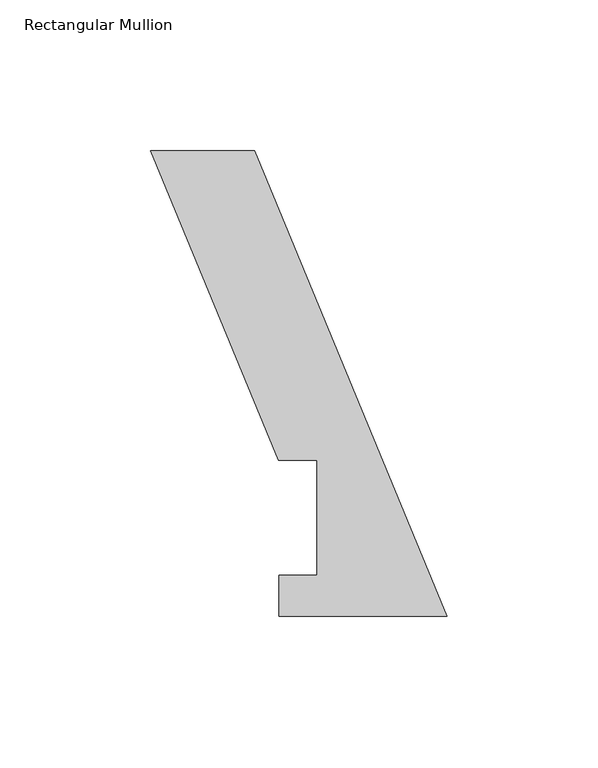
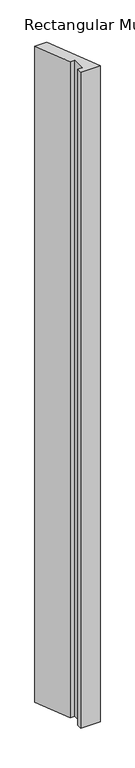
"""IFC4 building model written with IfcOpenShell, lengths in millimetres: member geometry, Rectangular Mullion."""

from ifc_helpers import new_model, si_unit, frame, origin, place, context, project, spatial, polyline, outline, extrude, source, transform, mapped, element, save


def rectangular_mullion_cea6ec12(model_context):
    return source(origin(), model_context, "Body", "SweptSolid", [
        extrude(outline(polyline([(0.0, 0.0293687), (-55.6104307, 0.0293687), (-55.6104307, 13.5929687), (-43.0657162, 13.5929687), (-43.0657162, 51.6929687), (-55.7657162, 51.6929687), (-98.2041999, 154.1485318), (-63.8382476, 154.1485318), (0.0, 0.0293687)])), frame((0.0, 0.0, -1993.9), z_axis=(0.0, 0.0, 1.0), x_axis=(1.0, 0.0, 0.0)), (0.0, 0.0, 1.0), 1993.9),
    ])


if __name__ == "__main__":
    model = new_model("IFC4")
    model_context = context("Model", 3, world=origin())
    ifc_project = project(units=[si_unit("LENGTHUNIT", "METRE", prefix="MILLI")], contexts=[model_context])
    site = spatial("IfcSite", under=ifc_project)
    building = spatial("IfcBuilding", under=site)
    placement = place(None, origin())
    rectangular_mullion_shape = rectangular_mullion_cea6ec12(model_context)
    element("IfcMember", 1, ObjectType="Rectangular Mullion", at=placement, inside=building, context=model_context, shape_type="MappedRepresentation", body=[
        mapped(rectangular_mullion_shape, transform((0.0, 0.0, 0.0), x_axis=(1.0, 0.0, 0.0), y_axis=(0.0, 1.0, 0.0), z_axis=(0.0, 0.0, 1.0))),
    ])
    save(model, "model.ifc")
